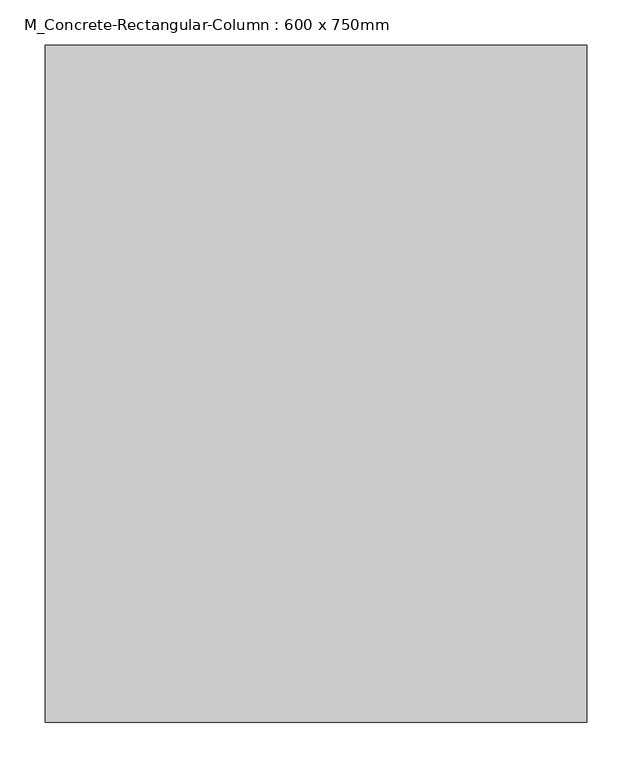
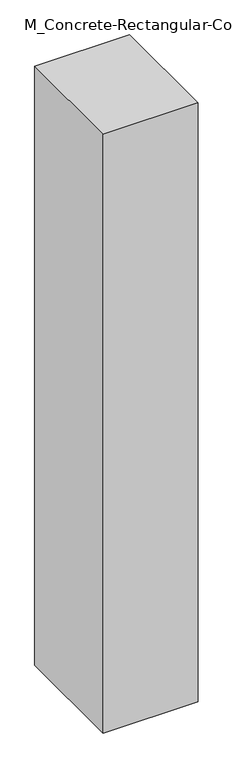
"""IFC4 building model written with IfcOpenShell, lengths in millimetres: column geometry, M_Concrete-Rectangular-Column : 600 x 750mm."""

from ifc_helpers import new_model, si_unit, origin, origin_with_axes, place, context, project, spatial, polyline, outline, extrude, source, transform, mapped, element, save


def m_concrete_rectangular_column_600_x_750mm_4e279443(model_context):
    return source(origin(), model_context, "Body", "SweptSolid", [
        extrude(outline(polyline([(300.0, 375.0), (300.0, -375.0), (-300.0, -375.0), (-300.0, 375.0), (300.0, 375.0)])), origin_with_axes(), (0.0, 0.0, 1.0), 4000.0),
    ])


if __name__ == "__main__":
    model = new_model("IFC4")
    model_context = context("Model", 3, world=origin())
    ifc_project = project(units=[si_unit("LENGTHUNIT", "METRE", prefix="MILLI")], contexts=[model_context])
    site = spatial("IfcSite", under=ifc_project)
    building = spatial("IfcBuilding", under=site)
    placement = place(None, origin())
    m_concrete_rectangular_column_600_x_750mm_shape = m_concrete_rectangular_column_600_x_750mm_4e279443(model_context)
    element("IfcColumn", 1, ObjectType="M_Concrete-Rectangular-Column : 600 x 750mm", at=placement, inside=building, context=model_context, shape_type="MappedRepresentation", body=[
        mapped(m_concrete_rectangular_column_600_x_750mm_shape, transform((0.0, 0.0, 0.0), x_axis=(1.0, 0.0, 0.0), y_axis=(0.0, 1.0, 0.0), z_axis=(0.0, 0.0, 1.0))),
    ])
    save(model, "model.ifc")
